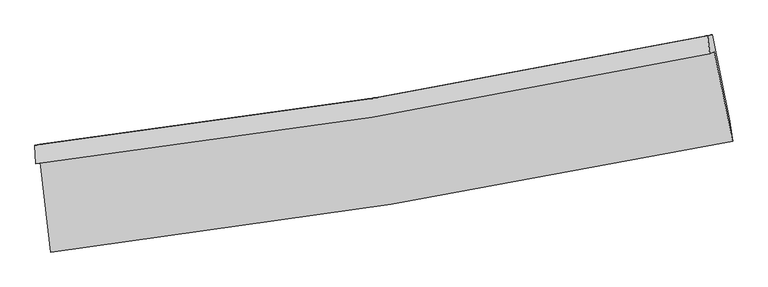
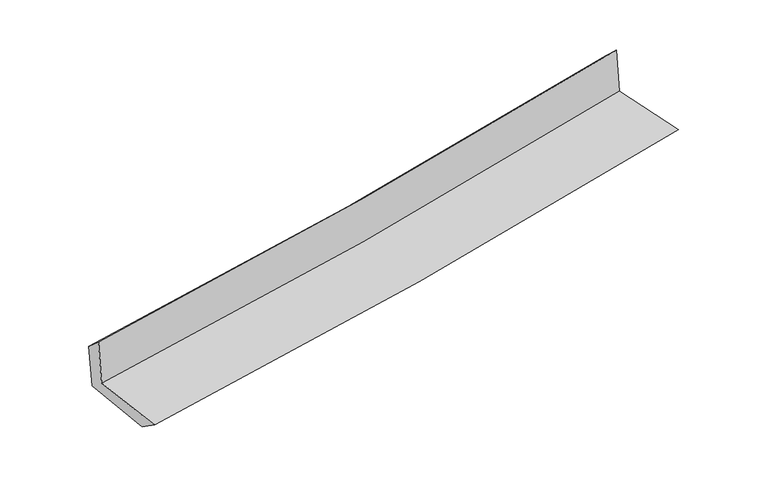
"""IFC4 building model written with IfcOpenShell, lengths in millimetres: proxy geometry."""

from ifc_helpers import new_model, si_unit, frame, origin, place, context, project, spatial, source, transform, mapped, element, save
from ifc_brep_helpers import plane_surface, spline_curve, spline_surface, advanced_brep


def generic_models_0e408e5e(model_context):
    return source(origin(), model_context, "Body", "AdvancedBrep", [
        advanced_brep(
        [(-2537.2245985, -1884.9259029, 1661.3134228), (-2459.0443717, -2555.8870592, 1652.1057841), (2626.1036307, -1730.5678467, 2118.3524365), (2489.2604346, -1063.8651644, 2122.2859701), (-2572.5913781, -1898.7038613, 2067.7278891), (2454.9934841, -1077.396851, 2520.2104092), (-2577.4082699, -1759.3069867, 1943.987232), (2439.5449029, -944.864684, 2394.7060671), (-2542.9899753, -1752.1275464, 1556.3687796), (2473.2743351, -937.8376265, 2016.8626265), (-2468.1412693, -2384.8691821, 1535.3484839), (2606.5955188, -1581.610869, 2000.3398433)],
        [
            (0, 1),
            (1, 2, spline_curve(3, [(-2459.0443717, -2555.8870592, 1652.1057841), (-1611.124465669, -2454.934294963, 1730.718150988), (-765.860952919, -2336.187414164, 1808.655317234), (929.251155839, -2061.501510399, 1964.086824232), (1779.036977039, -1905.14198698, 2041.565208562), (2626.1036307, -1730.5678467, 2118.3524365)], [4, 2, 4], [0.0, 8.390486660207673, 16.879534016058763])),
            (2, 3),
            (3, 0, spline_curve(3, [(2489.2604346, -1063.8651644, 2122.2859701), (1653.28139049, -1242.158097977, 2046.387026457), (813.952840018, -1400.007131555, 1969.794847456), (-861.619497094, -1673.222079018, 1816.121327609), (-1697.785957762, -1789.059958462, 1739.055991007), (-2537.2245985, -1884.9259029, 1661.3134228)], [4, 2, 4], [0.0, 8.48904735585109, 16.879534016058763])),
            (4, 0),
            (3, 5),
            (5, 4, spline_curve(3, [(2454.9934841, -1077.396851, 2520.2104092), (1618.339598445, -1255.890241589, 2451.308848818), (778.582871524, -1413.859681277, 2378.91072098), (-897.350380991, -1687.154871553, 2228.002492967), (-1733.455274975, -1802.95443496, 2149.573114195), (-2572.5913781, -1898.7038613, 2067.7278891)], [4, 2, 4], [0.0, 8.441174048953833, 16.78434322746262])),
            (6, 4),
            (5, 7),
            (7, 6, spline_curve(3, [(2439.5449029, -944.864684, 2394.7060671), (1604.886654431, -1120.348533757, 2320.78868412), (767.01827075, -1276.243230674, 2246.045983891), (-905.373562395, -1547.271765505, 2095.787319213), (-1739.822902857, -1662.857836085, 2020.290407644), (-2577.4082699, -1759.3069867, 1943.987232)], [4, 2, 4], [0.0, 8.431702102574745, 16.76550930718841])),
            (8, 6),
            (7, 9),
            (9, 8, spline_curve(3, [(2473.2743351, -937.8376265, 2016.8626265), (1639.627347503, -1113.110567108, 1931.239238784), (802.319719397, -1268.887577944, 1849.853587106), (-869.852892886, -1539.86747046, 1696.453470142), (-1704.633368575, -1655.520433004, 1624.34117266), (-2542.9899753, -1752.1275464, 1556.3687796)], [4, 2, 4], [0.0, 8.422048747262867, 16.746314675267357])),
            (10, 8),
            (9, 11),
            (11, 10, spline_curve(3, [(2606.5955188, -1581.610869, 2000.3398433), (1762.539507692, -1755.913060658, 1913.880826559), (915.127980785, -1910.277463215, 1831.700617774), (-776.528413804, -2177.569953173, 1676.802277895), (-1620.69581603, -2290.958321397, 1603.985366754), (-2468.1412693, -2384.8691821, 1535.3484839)], [4, 2, 4], [0.0, 8.468651472055914, 16.838979051540754])),
            (1, 10),
            (11, 2),
        ],
        [
            spline_surface(3, 3, [[(-2537.2245985, -1884.9259029, 1661.3134228), (-1697.78595789, -1789.059958327, 1739.055991026), (-861.619497206, -1673.222079072, 1816.121327674), (813.952840132, -1400.007131501, 1969.794847391), (1653.281390419, -1242.158097949, 2046.387026504), (2489.2604346, -1063.8651644, 2122.2859701)], [(-2511.164522895, -2108.579621677, 1658.244209887), (-1668.898793773, -2011.018070563, 1736.276710969), (-829.699982401, -1894.210524097, 1813.632657548), (852.385611996, -1620.505257763, 1967.892172947), (1695.199919291, -1463.152727639, 2044.779753811), (2534.874833293, -1286.099391829, 2120.974792233)], [(-2485.104447305, -2332.233340423, 1655.174997013), (-1640.011629671, -2232.976182768, 1733.49743095), (-797.780467602, -2115.198969187, 1811.143987477), (890.818383853, -1841.003384089, 1965.989498557), (1737.118448183, -1684.147357341, 2043.172481119), (2580.489232007, -1508.333619271, 2119.663614367)], [(-2459.0443717, -2555.8870592, 1652.1057841), (-1611.124465554, -2454.934295004, 1730.718150893), (-765.860952797, -2336.187414212, 1808.655317351), (929.251155716, -2061.501510351, 1964.086824114), (1779.036977055, -1905.141987031, 2041.565208425), (2626.1036307, -1730.5678467, 2118.3524365)]], [4, 4], [4, 2, 4], [0.0, 2.200220655446856], [0.0, 8.390486660207673, 16.879534016058763]),
            spline_surface(3, 3, [[(-2572.5913781, -1898.7038613, 2067.7278891), (-1733.455274924, -1802.954435097, 2149.573114134), (-897.350380991, -1687.154871474, 2228.002492957), (778.582871524, -1413.859681357, 2378.91072099), (1618.339598349, -1255.890241548, 2451.30884883), (2454.9934841, -1077.396851, 2520.2104092)], [(-2560.802451593, -1894.111208514, 1932.256400346), (-1721.565502606, -1798.322942855, 2012.734073111), (-885.440086415, -1682.510607337, 2090.708771214), (790.372861041, -1409.242164735, 2242.538763141), (1629.986862389, -1251.31286035, 2316.334908053), (2466.41580095, -1072.886288802, 2387.568929498)], [(-2549.013525007, -1889.518555686, 1796.784911554), (-1709.675730208, -1793.691450569, 1875.895032049), (-873.529791782, -1677.866343209, 1953.415049417), (802.162850615, -1404.624648122, 2106.16680524), (1641.634126379, -1246.735479146, 2181.360967282), (2477.83811775, -1068.375726598, 2254.927449802)], [(-2537.2245985, -1884.9259029, 1661.3134228), (-1697.78595789, -1789.059958327, 1739.055991026), (-861.619497206, -1673.222079072, 1816.121327674), (813.952840132, -1400.007131501, 1969.794847391), (1653.281390419, -1242.158097949, 2046.387026504), (2489.2604346, -1063.8651644, 2122.2859701)]], [4, 4], [4, 2, 4], [0.0, 1.3525348312250034], [0.0, 8.343169178508788, 16.78434322746262]),
            spline_surface(3, 3, [[(-2577.4082699, -1759.3069867, 1943.987232), (-1739.82290294, -1662.857836156, 2020.290407591), (-905.373562343, -1547.271765527, 2095.787319127), (767.018270698, -1276.243230652, 2246.045983979), (1604.886654362, -1120.348533717, 2320.788684179), (2439.5449029, -944.864684, 2394.7060671)], [(-2575.802639278, -1805.772611546, 1985.234117684), (-1737.700360246, -1709.556702449, 2063.384643089), (-902.699168539, -1593.899467535, 2139.859043727), (770.87313766, -1322.115380912, 2290.334229639), (1609.370969031, -1165.529102974, 2364.295405749), (2444.694429973, -989.04207298, 2436.54084782)], [(-2574.197008722, -1852.238236454, 2026.481003416), (-1735.577817618, -1756.255568805, 2106.478878635), (-900.024774795, -1640.527169466, 2183.930768357), (774.728004562, -1367.987531096, 2334.622475329), (1613.85528368, -1210.709672291, 2407.80212726), (2449.843957027, -1033.21946202, 2478.37562848)], [(-2572.5913781, -1898.7038613, 2067.7278891), (-1733.455274924, -1802.954435097, 2149.573114134), (-897.350380991, -1687.154871474, 2228.002492957), (778.582871524, -1413.859681357, 2378.91072099), (1618.339598349, -1255.890241548, 2451.30884883), (2454.9934841, -1077.396851, 2520.2104092)]], [4, 4], [4, 2, 4], [0.0, 0.6303303930315383], [0.0, 8.333807204613665, 16.76550930718841]),
            spline_surface(3, 3, [[(-2542.9899753, -1752.1275464, 1556.3687796), (-1704.633368468, -1655.520433094, 1624.341172577), (-869.852893023, -1539.86747057, 1696.45347006), (802.319719535, -1268.887577833, 1849.853587189), (1639.627347537, -1113.110567047, 1931.239238663), (2473.2743351, -937.8376265, 2016.8626265)], [(-2554.462740171, -1754.520693183, 1685.574930417), (-1716.363213296, -1657.966234131, 1756.324250932), (-881.693116126, -1542.335568892, 1829.56475309), (790.552569926, -1271.339462108, 1981.91771946), (1628.047116469, -1115.523222614, 2061.089053829), (2462.031191023, -940.17997901, 2142.810440028)], [(-2565.935505029, -1756.913839917, 1814.781081183), (-1728.093058111, -1660.412035119, 1888.307329236), (-893.53333924, -1544.803667205, 1962.676036097), (778.785420306, -1273.791346376, 2113.981851708), (1616.466885431, -1117.93587815, 2190.938869012), (2450.788046977, -942.52233149, 2268.758253572)], [(-2577.4082699, -1759.3069867, 1943.987232), (-1739.82290294, -1662.857836156, 2020.290407591), (-905.373562343, -1547.271765527, 2095.787319127), (767.018270698, -1276.243230652, 2246.045983979), (1604.886654362, -1120.348533717, 2320.788684179), (2439.5449029, -944.864684, 2394.7060671)]], [4, 4], [4, 2, 4], [0.0, 1.31032002142283], [0.0, 8.32426592800449, 16.746314675267357]),
            spline_surface(3, 3, [[(-2468.1412693, -2384.8691821, 1535.3484839), (-1620.695816048, -2290.958321347, 1603.985366886), (-776.528413693, -2177.569953082, 1676.802277936), (915.127980673, -1910.277463306, 1831.700617733), (1762.539507715, -1755.91306054, 1913.880826448), (2606.5955188, -1581.610869, 2000.3398433)], [(-2493.090837989, -2173.955303526, 1542.35524914), (-1648.675000211, -2079.145691922, 1610.770635456), (-807.636573487, -1965.0024589, 1683.3526753), (877.525226943, -1696.480834803, 1837.751607541), (1721.568787658, -1541.645562707, 1919.666963847), (2562.155124235, -1367.019788165, 2005.847437694)], [(-2518.040406611, -1963.041424974, 1549.36201436), (-1676.654184306, -1867.333062519, 1617.555904007), (-838.744733229, -1752.434964753, 1689.903072696), (839.922473265, -1482.684206335, 1843.802597381), (1680.598067594, -1327.37806488, 1925.453101264), (2517.714729665, -1152.428707335, 2011.355032106)], [(-2542.9899753, -1752.1275464, 1556.3687796), (-1704.633368468, -1655.520433094, 1624.341172577), (-869.852893023, -1539.86747057, 1696.45347006), (802.319719535, -1268.887577833, 1849.853587189), (1639.627347537, -1113.110567047, 1931.239238663), (2473.2743351, -937.8376265, 2016.8626265)]], [4, 4], [4, 2, 4], [0.0, 2.1263535926208568], [0.0, 8.37032757948484, 16.838979051540754]),
            spline_surface(3, 3, [[(-2459.0443717, -2555.8870592, 1652.1057841), (-1611.124465554, -2454.934295004, 1730.718150893), (-765.860952797, -2336.187414212, 1808.655317351), (929.251155716, -2061.501510351, 1964.086824114), (1779.036977055, -1905.141987031, 2041.565208425), (2626.1036307, -1730.5678467, 2118.3524365)], [(-2462.076670874, -2498.881100154, 1613.186684026), (-1614.314915692, -2400.275637106, 1688.47388955), (-769.416773086, -2283.314927176, 1764.704304226), (924.543430712, -2011.093494677, 1919.958088667), (1773.5378206, -1855.399011548, 1999.003747761), (2619.600926725, -1680.915520814, 2079.014905428)], [(-2465.108970126, -2441.875141146, 1574.267583974), (-1617.50536591, -2345.616979246, 1646.22962823), (-772.972593405, -2230.442440118, 1720.753291061), (919.835705677, -1960.68547898, 1875.82935318), (1768.038664169, -1805.656036023, 1956.442287113), (2613.098222775, -1631.263194886, 2039.677374372)], [(-2468.1412693, -2384.8691821, 1535.3484839), (-1620.695816048, -2290.958321347, 1603.985366886), (-776.528413693, -2177.569953082, 1676.802277936), (915.127980673, -1910.277463306, 1831.700617733), (1762.539507715, -1755.91306054, 1913.880826448), (2606.5955188, -1581.610869, 2000.3398433)]], [4, 4], [4, 2, 4], [0.0, 0.6691429651721207], [0.0, 8.427103060960672, 16.95319694016388]),
            plane_surface(frame((2514.962051, -1222.6905069, 2195.4595588), z_axis=(0.9756366981405534, 0.19971728380631384, 0.09080770776991935), x_axis=(-0.08889945397126402, -0.01852096333019115, 0.995868395422273))),
            plane_surface(frame((-2526.2333105, -2039.3034231, 1736.1419319), z_axis=(-0.9893932932133659, -0.11404926711793387, -0.08996485988580619), x_axis=(-0.11572597903264073, 0.9931876623035301, 0.013629571709555945))),
        ],
        [
            (0, [[1, 2, 3, 4]]),
            (1, [[5, -4, 6, 7]]),
            (2, [[8, -7, 9, 10]]),
            (3, [[11, -10, 12, 13]]),
            (4, [[14, -13, 15, 16]]),
            (5, [[17, -16, 18, -2]]),
            (6, [[-12, -9, -6, -3, -18, -15]]),
            (7, [[-1, -5, -8, -11, -14, -17]]),
        ],
    ),
    ])


if __name__ == "__main__":
    model = new_model("IFC4")
    model_context = context("Model", 3, world=origin())
    ifc_project = project(units=[si_unit("LENGTHUNIT", "METRE", prefix="MILLI")], contexts=[model_context])
    site = spatial("IfcSite", under=ifc_project)
    building = spatial("IfcBuilding", under=site)
    placement = place(None, origin())
    generic_models_shape = generic_models_0e408e5e(model_context)
    element("IfcBuildingElementProxy", 1, Name="Generic Models", at=placement, inside=building, context=model_context, shape_type="MappedRepresentation", body=[
        mapped(generic_models_shape, transform((0.0, 0.0, 0.0), x_axis=(1.0, 0.0, 0.0), y_axis=(0.0, 1.0, 0.0), z_axis=(0.0, 0.0, 1.0))),
    ])
    save(model, "model.ifc")
